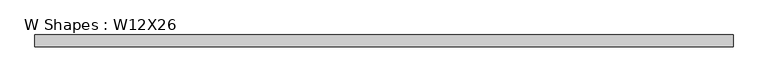
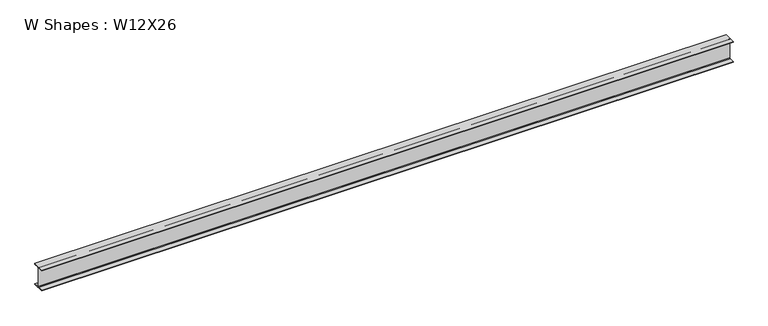
"""IFC4 building model written with IfcOpenShell, lengths in millimetres: beam geometry, W Shapes : W12X26."""

from ifc_helpers import new_model, si_unit, point, frame, frame_2d, origin, place, context, project, spatial, polyline, circle_curve, trimmed, segment, composite_curve, outline, extrude, source, transform, mapped, element, save


def w_shapes_w12x26_9526db45(model_context):
    return source(origin(), model_context, "Body", "SweptSolid", [
        extrude(outline(composite_curve([segment(polyline([(82.423, -145.288), (82.423, -154.94), (-82.423, -154.94), (-82.423, -145.288), (-10.541, -145.288)]), True, "CONTINUOUS"), segment(trimmed(circle_curve(frame_2d((-10.541, -137.668)), 7.62), [point((-10.541, -145.288))], [point((-2.921, -137.668))], True, "CARTESIAN"), True, "CONTINUOUS"), segment(polyline([(-2.921, -137.668), (-2.921, 137.668)]), True, "CONTINUOUS"), segment(trimmed(circle_curve(frame_2d((-10.541, 137.668)), 7.62), [point((-2.921, 137.668))], [point((-10.541, 145.288))], True, "CARTESIAN"), True, "CONTINUOUS"), segment(polyline([(-10.541, 145.288), (-82.423, 145.288), (-82.423, 154.94), (82.423, 154.94), (82.423, 145.288), (10.541, 145.288)]), True, "CONTINUOUS"), segment(trimmed(circle_curve(frame_2d((10.541, 137.668)), 7.62), [point((10.541, 145.288))], [point((2.921, 137.668))], True, "CARTESIAN"), True, "CONTINUOUS"), segment(polyline([(2.921, 137.668), (2.921, -137.668)]), True, "CONTINUOUS"), segment(trimmed(circle_curve(frame_2d((10.541, -137.668)), 7.62), [point((2.921, -137.668))], [point((10.541, -145.288))], True, "CARTESIAN"), True, "CONTINUOUS"), segment(polyline([(10.541, -145.288), (82.423, -145.288)]), True, "CONTINUOUS")], self_intersect=False)), frame((-4876.8, 0.0, 0.0), z_axis=(1.0, 0.0, 0.0), x_axis=(0.0, 1.0, 0.0)), (0.0, 0.0, 1.0), 9753.6),
    ])


if __name__ == "__main__":
    model = new_model("IFC4")
    model_context = context("Model", 3, world=origin())
    ifc_project = project(units=[si_unit("LENGTHUNIT", "METRE", prefix="MILLI")], contexts=[model_context])
    site = spatial("IfcSite", under=ifc_project)
    building = spatial("IfcBuilding", under=site)
    placement = place(None, origin())
    w_shapes_w12x26_shape = w_shapes_w12x26_9526db45(model_context)
    element("IfcBeam", 1, ObjectType="W Shapes : W12X26", at=placement, inside=building, context=model_context, shape_type="MappedRepresentation", body=[
        mapped(w_shapes_w12x26_shape, transform((0.0, 0.0, 0.0), x_axis=(1.0, 0.0, 0.0), y_axis=(0.0, 1.0, 0.0), z_axis=(0.0, 0.0, 1.0))),
    ])
    save(model, "model.ifc")
